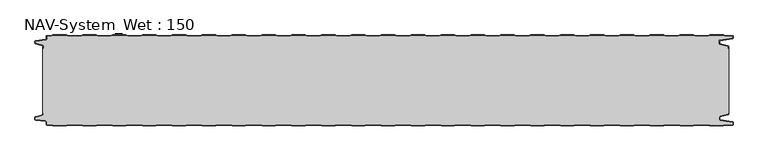
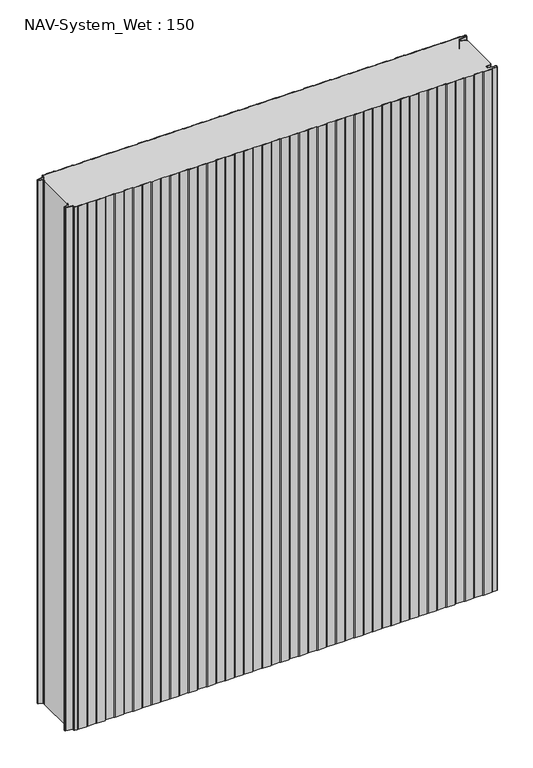
"""IFC4 building model written with IfcOpenShell, lengths in millimetres: plate geometry, NAV-System_Wet : 150."""

from ifc_helpers import new_model, si_unit, point, frame_2d, origin, origin_with_axes, place, context, project, spatial, polyline, circle_curve, trimmed, segment, composite_curve, outline, extrude, source, transform, mapped, element, save


def nav_system_wet_150_6c492ccb(model_context):
    return source(origin(), model_context, "Body", "SweptSolid", [
        extrude(outline(composite_curve([segment(polyline([(430.3684327, -0.8), (427.3684327, 0.2), (405.3684327, 0.2), (402.3684327, -0.8), (380.3684327, -0.8), (377.3684327, 0.2), (355.3684327, 0.2), (352.3684327, -0.8), (330.3684327, -0.8), (327.3684327, 0.2), (305.3684327, 0.2), (302.3684327, -0.8), (280.3684327, -0.8), (277.3684327, 0.2), (255.3684327, 0.2), (252.3684327, -0.8), (230.3684327, -0.8), (227.3684327, 0.2), (205.3684327, 0.2), (202.3684327, -0.8), (180.3684327, -0.8), (177.3684327, 0.2), (155.3684327, 0.2), (152.3684327, -0.8), (130.3684327, -0.8), (127.3684327, 0.2), (105.3684327, 0.2), (102.3684327, -0.8), (80.3684327, -0.8), (77.3684327, 0.2), (55.3684327, 0.2), (52.3684327, -0.8), (30.3684327, -0.8), (27.3684327, 0.2), (5.3684327, 0.2), (2.3684327, -0.8), (-19.6315673, -0.8), (-22.6315673, 0.2), (-44.6315673, 0.2), (-47.6315673, -0.8), (-69.6315673, -0.8), (-72.6315673, 0.2), (-94.6315673, 0.2), (-97.6315673, -0.8), (-119.6315673, -0.8), (-122.6315673, 0.2), (-144.6315673, 0.2), (-147.6315673, -0.8), (-169.6315673, -0.8), (-172.6315673, 0.2), (-194.6315673, 0.2), (-197.6315673, -0.8), (-219.6315673, -0.8), (-222.6315673, 0.2), (-244.6315673, 0.2), (-247.6315673, -0.8), (-269.6315673, -0.8), (-272.6315673, 0.2), (-294.6315673, 0.2), (-297.6315673, -0.8), (-319.6315673, -0.8), (-322.6315673, 0.2), (-344.6315673, 0.2), (-347.6315673, -0.8), (-369.6315673, -0.8), (-372.6315673, 0.2), (-394.6315673, 0.2), (-397.6315673, -0.8), (-419.6315673, -0.8), (-422.6315673, 0.2), (-444.6315673, 0.2), (-447.6315673, -0.8), (-469.6315673, -0.8), (-472.6315673, 0.2), (-494.6315673, 0.2), (-497.6315673, -0.8), (-519.6315673, -0.8), (-522.6315673, 0.2), (-544.6315673, 0.2), (-547.6315673, -0.8), (-554.7, -0.8)]), True, "CONTINUOUS"), segment(trimmed(circle_curve(frame_2d((-554.7, -1.3)), 0.5), [point((-554.7, -0.8))], [point((-555.2, -1.3))], True, "CARTESIAN"), True, "CONTINUOUS"), segment(polyline([(-555.2, -1.3), (-555.2, -5.3964683)]), True, "CONTINUOUS"), segment(trimmed(circle_curve(frame_2d((-556.7, -5.3964683)), 1.5), [point((-555.2, -5.3964683))], [point((-556.4911207, -6.8818536))], False, "CARTESIAN"), True, "CONTINUOUS"), segment(polyline([(-556.4911207, -6.8818536), (-573.4352183, -9.2645825)]), True, "CONTINUOUS"), segment(trimmed(circle_curve(frame_2d((-573.3114909, -10.1444347)), 0.8885091), [point((-573.4352183, -9.2645825))], [point((-574.2, -10.1444347))], True, "CARTESIAN"), True, "CONTINUOUS"), segment(polyline([(-574.2, -10.1444347), (-574.2, -12.46995)]), True, "CONTINUOUS"), segment(trimmed(circle_curve(frame_2d((-573.6, -12.46995)), 0.6), [point((-574.2, -12.46995))], [point((-573.7552914, -13.0495055))], True, "CARTESIAN"), True, "CONTINUOUS"), segment(polyline([(-573.7552914, -13.0495055), (-562.3785632, -16.0978907)]), True, "CONTINUOUS"), segment(trimmed(circle_curve(frame_2d((-562.7667917, -17.5467794)), 1.5), [point((-562.3785632, -16.0978907))], [point((-561.2667917, -17.5467794))], False, "CARTESIAN"), True, "CONTINUOUS"), segment(polyline([(-561.2667917, -17.5467794), (-561.2667917, -21.0096505), (-562.0667917, -21.0096505), (-562.0667917, -17.5467794)]), True, "CONTINUOUS"), segment(trimmed(circle_curve(frame_2d((-562.7667917, -17.5467794)), 0.7), [point((-562.0667917, -17.5467794))], [point((-562.5856184, -16.8706313))], True, "CARTESIAN"), True, "CONTINUOUS"), segment(polyline([(-562.5856184, -16.8706313), (-574.0364648, -13.8023863)]), True, "CONTINUOUS"), segment(trimmed(circle_curve(frame_2d((-573.7, -12.5466827)), 1.3), [point((-574.0364648, -13.8023863))], [point((-575.0, -12.5466827))], False, "CARTESIAN"), True, "CONTINUOUS"), segment(polyline([(-575.0, -12.5466827), (-575.0, -9.8067363)]), True, "CONTINUOUS"), segment(trimmed(circle_curve(frame_2d((-573.7, -9.8067363)), 1.3), [point((-575.0, -9.8067363))], [point((-573.8810287, -8.5194024))], False, "CARTESIAN"), True, "CONTINUOUS"), segment(polyline([(-573.8810287, -8.5194024), (-556.602523, -6.0896481)]), True, "CONTINUOUS"), segment(trimmed(circle_curve(frame_2d((-556.7, -5.3964683)), 0.7), [point((-556.602523, -6.0896481))], [point((-556.0, -5.3964683))], True, "CARTESIAN"), True, "CONTINUOUS"), segment(polyline([(-556.0, -5.3964683), (-556.0, -1.3)]), True, "CONTINUOUS"), segment(trimmed(circle_curve(frame_2d((-554.7, -1.3)), 1.3), [point((-556.0, -1.3))], [point((-554.7, 0.0))], False, "CARTESIAN"), True, "CONTINUOUS"), segment(polyline([(-554.7, 0.0), (-547.7613895, 0.0), (-544.7613895, 1.0), (-522.5017452, 1.0), (-519.5017452, 0.0), (-497.7613895, 0.0), (-494.7613895, 1.0), (-472.5017452, 1.0), (-469.5017452, 0.0), (-447.7613895, 0.0), (-444.7613895, 1.0), (-422.5017452, 1.0), (-419.5017452, 0.0), (-397.7613895, 0.0), (-394.7613895, 1.0), (-372.5017452, 1.0), (-369.5017452, 0.0), (-347.7613895, 0.0), (-344.7613895, 1.0), (-322.5017452, 1.0), (-319.5017452, 0.0), (-297.7613895, 0.0), (-294.7613895, 1.0), (-272.5017452, 1.0), (-269.5017452, 0.0), (-247.7613895, 0.0), (-244.7613895, 1.0), (-222.5017452, 1.0), (-219.5017452, 0.0), (-197.7613895, 0.0), (-194.7613895, 1.0), (-172.5017452, 1.0), (-169.5017452, 0.0), (-147.7613895, 0.0), (-144.7613895, 1.0), (-122.5017452, 1.0), (-119.5017452, 0.0), (-97.7613895, 0.0), (-94.7613895, 1.0), (-72.5017452, 1.0), (-69.5017452, 0.0), (-47.7613895, 0.0), (-44.7613895, 1.0), (-22.5017452, 1.0), (-19.5017452, 0.0), (2.2386105, 0.0), (5.2386105, 1.0), (27.4982548, 1.0), (30.4982548, 0.0), (52.2386105, 0.0), (55.2386105, 1.0), (77.4982548, 1.0), (80.4982548, 0.0), (102.2386105, 0.0), (105.2386105, 1.0), (127.4982548, 1.0), (130.4982548, 0.0), (152.2386105, 0.0), (155.2386105, 1.0), (177.4982548, 1.0), (180.4982548, 0.0), (202.2386105, 0.0), (205.2386105, 1.0), (227.4982548, 1.0), (230.4982548, 0.0), (252.2386105, 0.0), (255.2386105, 1.0), (277.4982548, 1.0), (280.4982548, 0.0), (302.2386105, 0.0), (305.2386105, 1.0), (327.4982548, 1.0), (330.4982548, 0.0), (352.2386105, 0.0), (355.2386105, 1.0), (377.4982548, 1.0), (380.4982548, 0.0), (402.2386105, 0.0), (405.2386105, 1.0), (427.4982548, 1.0), (430.4982548, 0.0), (452.2386105, 0.0), (455.2386105, 1.0), (477.4982548, 1.0), (480.4982548, 0.0), (502.2386105, 0.0), (505.2386105, 1.0), (527.4982548, 1.0), (530.4982548, 0.0), (552.2386105, 0.0), (555.2386105, 1.0), (577.4982548, 1.0), (580.4982548, 0.0), (592.7, 0.0)]), True, "CONTINUOUS"), segment(trimmed(circle_curve(frame_2d((592.7, -1.3)), 1.3), [point((592.7, 0.0))], [point((594.0, -1.3))], False, "CARTESIAN"), True, "CONTINUOUS"), segment(polyline([(594.0, -1.3), (594.0, -4.3700191)]), True, "CONTINUOUS"), segment(trimmed(circle_curve(frame_2d((592.7, -4.3700191)), 1.3), [point((594.0, -4.3700191))], [point((592.8810287, -5.657353))], False, "CARTESIAN"), True, "CONTINUOUS"), segment(polyline([(592.8810287, -5.657353), (572.102523, -8.5792877)]), True, "CONTINUOUS"), segment(trimmed(circle_curve(frame_2d((572.2, -9.2724675)), 0.7), [point((572.102523, -8.5792877))], [point((571.5, -9.2724675))], True, "CARTESIAN"), True, "CONTINUOUS"), segment(polyline([(571.5, -9.2724675), (571.5, -13.0812756)]), True, "CONTINUOUS"), segment(trimmed(circle_curve(frame_2d((572.2, -13.0812756)), 0.7), [point((571.5, -13.0812756))], [point((572.0188267, -13.7574237))], True, "CARTESIAN"), True, "CONTINUOUS"), segment(polyline([(572.0188267, -13.7574237), (585.4205101, -17.3483939)]), True, "CONTINUOUS"), segment(trimmed(circle_curve(frame_2d((585.0840453, -18.6040975)), 1.3), [point((585.4205101, -17.3483939))], [point((586.3840453, -18.6040975))], False, "CARTESIAN"), True, "CONTINUOUS"), segment(polyline([(586.3840453, -18.6040975), (586.3840453, -21.0096505), (585.5840453, -21.0096505), (585.5840453, -18.6808302)]), True, "CONTINUOUS"), segment(trimmed(circle_curve(frame_2d((584.9840453, -18.6808302)), 0.6), [point((585.5840453, -18.6808302))], [point((585.1393367, -18.1012747))], True, "CARTESIAN"), True, "CONTINUOUS"), segment(polyline([(585.1393367, -18.1012747), (571.8117714, -14.5301644)]), True, "CONTINUOUS"), segment(trimmed(circle_curve(frame_2d((572.2, -13.0812756)), 1.5), [point((571.8117714, -14.5301644))], [point((570.7, -13.0812756))], False, "CARTESIAN"), True, "CONTINUOUS"), segment(polyline([(570.7, -13.0812756), (570.7, -9.2724675)]), True, "CONTINUOUS"), segment(trimmed(circle_curve(frame_2d((572.2, -9.2724675)), 1.5), [point((570.7, -9.2724675))], [point((571.9911207, -7.7870822))], False, "CARTESIAN"), True, "CONTINUOUS"), segment(polyline([(571.9911207, -7.7870822), (592.6835517, -4.8772516)]), True, "CONTINUOUS"), segment(trimmed(circle_curve(frame_2d((592.6, -4.2830975)), 0.6), [point((592.6835517, -4.8772516))], [point((593.2, -4.2830975))], True, "CARTESIAN"), True, "CONTINUOUS"), segment(polyline([(593.2, -4.2830975), (593.2, -1.3)]), True, "CONTINUOUS"), segment(trimmed(circle_curve(frame_2d((592.7, -1.3)), 0.5), [point((593.2, -1.3))], [point((592.7, -0.8))], True, "CARTESIAN"), True, "CONTINUOUS"), segment(polyline([(592.7, -0.8), (580.3684327, -0.8), (577.3684327, 0.2), (555.3684327, 0.2), (552.3684327, -0.8), (530.3684327, -0.8), (527.3684327, 0.2), (505.3684327, 0.2), (502.3684327, -0.8), (480.3684327, -0.8), (477.3684327, 0.2), (455.3684327, 0.2), (452.3684327, -0.8), (430.3684327, -0.8)]), True, "CONTINUOUS")], self_intersect=False)), origin_with_axes(), (0.0, 0.0, 1.0), 1500.0),
        extrude(outline(composite_curve([segment(polyline([(430.3684327, -0.8), (452.3684327, -0.8), (455.3684327, 0.2), (477.3684327, 0.2), (480.3684327, -0.8), (502.3684327, -0.8), (505.3684327, 0.2), (527.3684327, 0.2), (530.3684327, -0.8), (552.3684327, -0.8), (555.3684327, 0.2), (577.3684327, 0.2), (580.3684327, -0.8), (592.7, -0.8)]), True, "CONTINUOUS"), segment(trimmed(circle_curve(frame_2d((592.7, -1.3)), 0.5), [point((592.7, -0.8))], [point((593.2, -1.3))], False, "CARTESIAN"), True, "CONTINUOUS"), segment(polyline([(593.2, -1.3), (593.2, -4.2830975)]), True, "CONTINUOUS"), segment(trimmed(circle_curve(frame_2d((592.6, -4.2830975)), 0.6), [point((593.2, -4.2830975))], [point((592.6835517, -4.8772516))], False, "CARTESIAN"), True, "CONTINUOUS"), segment(polyline([(592.6835517, -4.8772516), (571.9911207, -7.7870822)]), True, "CONTINUOUS"), segment(trimmed(circle_curve(frame_2d((572.2, -9.2724675)), 1.5), [point((571.9911207, -7.7870822))], [point((570.7, -9.2724675))], True, "CARTESIAN"), True, "CONTINUOUS"), segment(polyline([(570.7, -9.2724675), (570.7, -13.0812756)]), True, "CONTINUOUS"), segment(trimmed(circle_curve(frame_2d((572.2, -13.0812756)), 1.5), [point((570.7, -13.0812756))], [point((571.8117714, -14.5301644))], True, "CARTESIAN"), True, "CONTINUOUS"), segment(polyline([(571.8117714, -14.5301644), (585.1393367, -18.1012747)]), True, "CONTINUOUS"), segment(trimmed(circle_curve(frame_2d((584.9840453, -18.6808302)), 0.6), [point((585.1393367, -18.1012747))], [point((585.5840453, -18.6808302))], False, "CARTESIAN"), True, "CONTINUOUS"), segment(polyline([(585.5840453, -18.6808302), (585.5840453, -21.0096505), (586.3840453, -21.0096505), (586.3840453, -128.9903495), (585.5840453, -128.9903495), (585.5840453, -131.3191698)]), True, "CONTINUOUS"), segment(trimmed(circle_curve(frame_2d((584.9840453, -131.3191698)), 0.6), [point((585.5840453, -131.3191698))], [point((585.1393367, -131.8987253))], False, "CARTESIAN"), True, "CONTINUOUS"), segment(polyline([(585.1393367, -131.8987253), (571.8117714, -135.4698356)]), True, "CONTINUOUS"), segment(trimmed(circle_curve(frame_2d((572.2, -136.9187244)), 1.5), [point((571.8117714, -135.4698356))], [point((570.7, -136.9187244))], True, "CARTESIAN"), True, "CONTINUOUS"), segment(polyline([(570.7, -136.9187244), (570.7, -140.7275325)]), True, "CONTINUOUS"), segment(trimmed(circle_curve(frame_2d((572.2, -140.7275325)), 1.5), [point((570.7, -140.7275325))], [point((571.9911207, -142.2129178))], True, "CARTESIAN"), True, "CONTINUOUS"), segment(polyline([(571.9911207, -142.2129178), (592.6835517, -145.1227484)]), True, "CONTINUOUS"), segment(trimmed(circle_curve(frame_2d((592.6, -145.7169025)), 0.6), [point((592.6835517, -145.1227484))], [point((593.2, -145.7169025))], False, "CARTESIAN"), True, "CONTINUOUS"), segment(polyline([(593.2, -145.7169025), (593.2, -148.7)]), True, "CONTINUOUS"), segment(trimmed(circle_curve(frame_2d((592.7, -148.7)), 0.5), [point((593.2, -148.7))], [point((592.7, -149.2))], False, "CARTESIAN"), True, "CONTINUOUS"), segment(polyline([(592.7, -149.2), (580.3684327, -149.2), (577.3684327, -150.2), (555.3684327, -150.2), (552.3684327, -149.2), (530.3684327, -149.2), (527.3684327, -150.2), (505.3684327, -150.2), (502.3684327, -149.2), (480.3684327, -149.2), (477.3684327, -150.2), (455.3684327, -150.2), (452.3684327, -149.2), (430.3684327, -149.2), (427.3684327, -150.2), (405.3684327, -150.2), (402.3684327, -149.2), (380.3684327, -149.2), (377.3684327, -150.2), (355.3684327, -150.2), (352.3684327, -149.2), (330.3684327, -149.2), (327.3684327, -150.2), (305.3684327, -150.2), (302.3684327, -149.2), (280.3684327, -149.2), (277.3684327, -150.2), (255.3684327, -150.2), (252.3684327, -149.2), (230.3684327, -149.2), (227.3684327, -150.2), (205.3684327, -150.2), (202.3684327, -149.2), (180.3684327, -149.2), (177.3684327, -150.2), (155.3684327, -150.2), (152.3684327, -149.2), (130.3684327, -149.2), (127.3684327, -150.2), (105.3684327, -150.2), (102.3684327, -149.2), (80.3684327, -149.2), (77.3684327, -150.2), (55.3684327, -150.2), (52.3684327, -149.2), (30.3684327, -149.2), (27.3684327, -150.2), (5.3684327, -150.2), (2.3684327, -149.2), (-19.6315673, -149.2), (-22.6315673, -150.2), (-44.6315673, -150.2), (-47.6315673, -149.2), (-69.6315673, -149.2), (-72.6315673, -150.2), (-94.6315673, -150.2), (-97.6315673, -149.2), (-119.6315673, -149.2), (-122.6315673, -150.2), (-144.6315673, -150.2), (-147.6315673, -149.2), (-169.6315673, -149.2), (-172.6315673, -150.2), (-194.6315673, -150.2), (-197.6315673, -149.2), (-219.6315673, -149.2), (-222.6315673, -150.2), (-244.6315673, -150.2), (-247.6315673, -149.2), (-269.6315673, -149.2), (-272.6315673, -150.2), (-294.6315673, -150.2), (-297.6315673, -149.2), (-319.6315673, -149.2), (-322.6315673, -150.2), (-344.6315673, -150.2), (-347.6315673, -149.2), (-369.6315673, -149.2), (-372.6315673, -150.2), (-394.6315673, -150.2), (-397.6315673, -149.2), (-419.6315673, -149.2), (-422.6315673, -150.2), (-444.6315673, -150.2), (-447.6315673, -149.2), (-469.6315673, -149.2), (-472.6315673, -150.2), (-494.6315673, -150.2), (-497.6315673, -149.2), (-519.6315673, -149.2), (-522.6315673, -150.2), (-544.6315673, -150.2), (-547.6315673, -149.2), (-554.7, -149.2)]), True, "CONTINUOUS"), segment(trimmed(circle_curve(frame_2d((-554.7, -148.7)), 0.5), [point((-554.7, -149.2))], [point((-555.2, -148.7))], False, "CARTESIAN"), True, "CONTINUOUS"), segment(polyline([(-555.2, -148.7), (-555.2, -144.6035317)]), True, "CONTINUOUS"), segment(trimmed(circle_curve(frame_2d((-556.7, -144.6035317)), 1.5), [point((-555.2, -144.6035317))], [point((-556.4911207, -143.1181464))], True, "CARTESIAN"), True, "CONTINUOUS"), segment(polyline([(-556.4911207, -143.1181464), (-573.4352183, -140.7354175)]), True, "CONTINUOUS"), segment(trimmed(circle_curve(frame_2d((-573.3114909, -139.8555653)), 0.8885091), [point((-573.4352183, -140.7354175))], [point((-574.2, -139.8555653))], False, "CARTESIAN"), True, "CONTINUOUS"), segment(polyline([(-574.2, -139.8555653), (-574.2, -137.53005)]), True, "CONTINUOUS"), segment(trimmed(circle_curve(frame_2d((-573.6, -137.53005)), 0.6), [point((-574.2, -137.53005))], [point((-573.7552914, -136.9504945))], False, "CARTESIAN"), True, "CONTINUOUS"), segment(polyline([(-573.7552914, -136.9504945), (-562.3785632, -133.9021093)]), True, "CONTINUOUS"), segment(trimmed(circle_curve(frame_2d((-562.7667917, -132.4532206)), 1.5), [point((-562.3785632, -133.9021093))], [point((-561.2667917, -132.4532206))], True, "CARTESIAN"), True, "CONTINUOUS"), segment(polyline([(-561.2667917, -132.4532206), (-561.2667917, -128.9903495), (-562.0667917, -128.9903495), (-562.0667917, -21.0096505), (-561.2667917, -21.0096505), (-561.2667917, -17.5467794)]), True, "CONTINUOUS"), segment(trimmed(circle_curve(frame_2d((-562.7667917, -17.5467794)), 1.5), [point((-561.2667917, -17.5467794))], [point((-562.3785632, -16.0978907))], True, "CARTESIAN"), True, "CONTINUOUS"), segment(polyline([(-562.3785632, -16.0978907), (-573.7552914, -13.0495055)]), True, "CONTINUOUS"), segment(trimmed(circle_curve(frame_2d((-573.6, -12.46995)), 0.6), [point((-573.7552914, -13.0495055))], [point((-574.2, -12.46995))], False, "CARTESIAN"), True, "CONTINUOUS"), segment(polyline([(-574.2, -12.46995), (-574.2, -10.1444347)]), True, "CONTINUOUS"), segment(trimmed(circle_curve(frame_2d((-573.3114909, -10.1444347)), 0.8885091), [point((-574.2, -10.1444347))], [point((-573.4352183, -9.2645825))], False, "CARTESIAN"), True, "CONTINUOUS"), segment(polyline([(-573.4352183, -9.2645825), (-556.4911207, -6.8818536)]), True, "CONTINUOUS"), segment(trimmed(circle_curve(frame_2d((-556.7, -5.3964683)), 1.5), [point((-556.4911207, -6.8818536))], [point((-555.2, -5.3964683))], True, "CARTESIAN"), True, "CONTINUOUS"), segment(polyline([(-555.2, -5.3964683), (-555.2, -1.3)]), True, "CONTINUOUS"), segment(trimmed(circle_curve(frame_2d((-554.7, -1.3)), 0.5), [point((-555.2, -1.3))], [point((-554.7, -0.8))], False, "CARTESIAN"), True, "CONTINUOUS"), segment(polyline([(-554.7, -0.8), (-547.6315673, -0.8), (-544.6315673, 0.2), (-522.6315673, 0.2), (-519.6315673, -0.8), (-497.6315673, -0.8), (-494.6315673, 0.2), (-472.6315673, 0.2), (-469.6315673, -0.8), (-447.6315673, -0.8), (-444.6315673, 0.2), (-422.6315673, 0.2), (-419.6315673, -0.8), (-397.6315673, -0.8), (-394.6315673, 0.2), (-372.6315673, 0.2), (-369.6315673, -0.8), (-347.6315673, -0.8), (-344.6315673, 0.2), (-322.6315673, 0.2), (-319.6315673, -0.8), (-297.6315673, -0.8), (-294.6315673, 0.2), (-272.6315673, 0.2), (-269.6315673, -0.8), (-247.6315673, -0.8), (-244.6315673, 0.2), (-222.6315673, 0.2), (-219.6315673, -0.8), (-197.6315673, -0.8), (-194.6315673, 0.2), (-172.6315673, 0.2), (-169.6315673, -0.8), (-147.6315673, -0.8), (-144.6315673, 0.2), (-122.6315673, 0.2), (-119.6315673, -0.8), (-97.6315673, -0.8), (-94.6315673, 0.2), (-72.6315673, 0.2), (-69.6315673, -0.8), (-47.6315673, -0.8), (-44.6315673, 0.2), (-22.6315673, 0.2), (-19.6315673, -0.8), (2.3684327, -0.8), (5.3684327, 0.2), (27.3684327, 0.2), (30.3684327, -0.8), (52.3684327, -0.8), (55.3684327, 0.2), (77.3684327, 0.2), (80.3684327, -0.8), (102.3684327, -0.8), (105.3684327, 0.2), (127.3684327, 0.2), (130.3684327, -0.8), (152.3684327, -0.8), (155.3684327, 0.2), (177.3684327, 0.2), (180.3684327, -0.8), (202.3684327, -0.8), (205.3684327, 0.2), (227.3684327, 0.2), (230.3684327, -0.8), (252.3684327, -0.8), (255.3684327, 0.2), (277.3684327, 0.2), (280.3684327, -0.8), (302.3684327, -0.8), (305.3684327, 0.2), (327.3684327, 0.2), (330.3684327, -0.8), (352.3684327, -0.8), (355.3684327, 0.2), (377.3684327, 0.2), (380.3684327, -0.8), (402.3684327, -0.8), (405.3684327, 0.2), (427.3684327, 0.2), (430.3684327, -0.8)]), True, "CONTINUOUS")], self_intersect=False)), origin_with_axes(), (0.0, 0.0, 1.0), 1500.0),
        extrude(outline(composite_curve([segment(polyline([(430.3684327, -149.2), (452.3684327, -149.2), (455.3684327, -150.2), (477.3684327, -150.2), (480.3684327, -149.2), (502.3684327, -149.2), (505.3684327, -150.2), (527.3684327, -150.2), (530.3684327, -149.2), (552.3684327, -149.2), (555.3684327, -150.2), (577.3684327, -150.2), (580.3684327, -149.2), (592.7, -149.2)]), True, "CONTINUOUS"), segment(trimmed(circle_curve(frame_2d((592.7, -148.7)), 0.5), [point((592.7, -149.2))], [point((593.2, -148.7))], True, "CARTESIAN"), True, "CONTINUOUS"), segment(polyline([(593.2, -148.7), (593.2, -145.7169025)]), True, "CONTINUOUS"), segment(trimmed(circle_curve(frame_2d((592.6, -145.7169025)), 0.6), [point((593.2, -145.7169025))], [point((592.6835517, -145.1227484))], True, "CARTESIAN"), True, "CONTINUOUS"), segment(polyline([(592.6835517, -145.1227484), (571.9911207, -142.2129178)]), True, "CONTINUOUS"), segment(trimmed(circle_curve(frame_2d((572.2, -140.7275325)), 1.5), [point((571.9911207, -142.2129178))], [point((570.7, -140.7275325))], False, "CARTESIAN"), True, "CONTINUOUS"), segment(polyline([(570.7, -140.7275325), (570.7, -136.9187244)]), True, "CONTINUOUS"), segment(trimmed(circle_curve(frame_2d((572.2, -136.9187244)), 1.5), [point((570.7, -136.9187244))], [point((571.8117714, -135.4698356))], False, "CARTESIAN"), True, "CONTINUOUS"), segment(polyline([(571.8117714, -135.4698356), (585.1393367, -131.8987253)]), True, "CONTINUOUS"), segment(trimmed(circle_curve(frame_2d((584.9840453, -131.3191698)), 0.6), [point((585.1393367, -131.8987253))], [point((585.5840453, -131.3191698))], True, "CARTESIAN"), True, "CONTINUOUS"), segment(polyline([(585.5840453, -131.3191698), (585.5840453, -128.9903495), (586.3840453, -128.9903495), (586.3840453, -131.3959025)]), True, "CONTINUOUS"), segment(trimmed(circle_curve(frame_2d((585.0840453, -131.3959025)), 1.3), [point((586.3840453, -131.3959025))], [point((585.4205101, -132.6516061))], False, "CARTESIAN"), True, "CONTINUOUS"), segment(polyline([(585.4205101, -132.6516061), (572.0188267, -136.2425763)]), True, "CONTINUOUS"), segment(trimmed(circle_curve(frame_2d((572.2, -136.9187244)), 0.7), [point((572.0188267, -136.2425763))], [point((571.5, -136.9187244))], True, "CARTESIAN"), True, "CONTINUOUS"), segment(polyline([(571.5, -136.9187244), (571.5, -140.7275325)]), True, "CONTINUOUS"), segment(trimmed(circle_curve(frame_2d((572.2, -140.7275325)), 0.7), [point((571.5, -140.7275325))], [point((572.102523, -141.4207123))], True, "CARTESIAN"), True, "CONTINUOUS"), segment(polyline([(572.102523, -141.4207123), (592.8810287, -144.342647)]), True, "CONTINUOUS"), segment(trimmed(circle_curve(frame_2d((592.7, -145.6299809)), 1.3), [point((592.8810287, -144.342647))], [point((594.0, -145.6299809))], False, "CARTESIAN"), True, "CONTINUOUS"), segment(polyline([(594.0, -145.6299809), (594.0, -148.7)]), True, "CONTINUOUS"), segment(trimmed(circle_curve(frame_2d((592.7, -148.7)), 1.3), [point((594.0, -148.7))], [point((592.7, -150.0))], False, "CARTESIAN"), True, "CONTINUOUS"), segment(polyline([(592.7, -150.0), (580.4982548, -150.0), (577.4982548, -151.0), (555.2386105, -151.0), (552.2386105, -150.0), (530.4982548, -150.0), (527.4982548, -151.0), (505.2386105, -151.0), (502.2386105, -150.0), (480.4982548, -150.0), (477.4982548, -151.0), (455.2386105, -151.0), (452.2386105, -150.0), (430.4982548, -150.0), (427.4982548, -151.0), (405.2386105, -151.0), (402.2386105, -150.0), (380.4982548, -150.0), (377.4982548, -151.0), (355.2386105, -151.0), (352.2386105, -150.0), (330.4982548, -150.0), (327.4982548, -151.0), (305.2386105, -151.0), (302.2386105, -150.0), (280.4982548, -150.0), (277.4982548, -151.0), (255.2386105, -151.0), (252.2386105, -150.0), (230.4982548, -150.0), (227.4982548, -151.0), (205.2386105, -151.0), (202.2386105, -150.0), (180.4982548, -150.0), (177.4982548, -151.0), (155.2386105, -151.0), (152.2386105, -150.0), (130.4982548, -150.0), (127.4982548, -151.0), (105.2386105, -151.0), (102.2386105, -150.0), (80.4982548, -150.0), (77.4982548, -151.0), (55.2386105, -151.0), (52.2386105, -150.0), (30.4982548, -150.0), (27.4982548, -151.0), (5.2386105, -151.0), (2.2386105, -150.0), (-19.5017452, -150.0), (-22.5017452, -151.0), (-44.7613895, -151.0), (-47.7613895, -150.0), (-69.5017452, -150.0), (-72.5017452, -151.0), (-94.7613895, -151.0), (-97.7613895, -150.0), (-119.5017452, -150.0), (-122.5017452, -151.0), (-144.7613895, -151.0), (-147.7613895, -150.0), (-169.5017452, -150.0), (-172.5017452, -151.0), (-194.7613895, -151.0), (-197.7613895, -150.0), (-219.5017452, -150.0), (-222.5017452, -151.0), (-244.7613895, -151.0), (-247.7613895, -150.0), (-269.5017452, -150.0), (-272.5017452, -151.0), (-294.7613895, -151.0), (-297.7613895, -150.0), (-319.5017452, -150.0), (-322.5017452, -151.0), (-344.7613895, -151.0), (-347.7613895, -150.0), (-369.5017452, -150.0), (-372.5017452, -151.0), (-394.7613895, -151.0), (-397.7613895, -150.0), (-419.5017452, -150.0), (-422.5017452, -151.0), (-444.7613895, -151.0), (-447.7613895, -150.0), (-469.5017452, -150.0), (-472.5017452, -151.0), (-494.7613895, -151.0), (-497.7613895, -150.0), (-519.5017452, -150.0), (-522.5017452, -151.0), (-544.7613895, -151.0), (-547.7613895, -150.0), (-554.7, -150.0)]), True, "CONTINUOUS"), segment(trimmed(circle_curve(frame_2d((-554.7, -148.7)), 1.3), [point((-554.7, -150.0))], [point((-556.0, -148.7))], False, "CARTESIAN"), True, "CONTINUOUS"), segment(polyline([(-556.0, -148.7), (-556.0, -144.6035317)]), True, "CONTINUOUS"), segment(trimmed(circle_curve(frame_2d((-556.7, -144.6035317)), 0.7), [point((-556.0, -144.6035317))], [point((-556.602523, -143.9103519))], True, "CARTESIAN"), True, "CONTINUOUS"), segment(polyline([(-556.602523, -143.9103519), (-573.8810287, -141.4805976)]), True, "CONTINUOUS"), segment(trimmed(circle_curve(frame_2d((-573.7, -140.1932637)), 1.3), [point((-573.8810287, -141.4805976))], [point((-575.0, -140.1932637))], False, "CARTESIAN"), True, "CONTINUOUS"), segment(polyline([(-575.0, -140.1932637), (-575.0, -137.4533173)]), True, "CONTINUOUS"), segment(trimmed(circle_curve(frame_2d((-573.7, -137.4533173)), 1.3), [point((-575.0, -137.4533173))], [point((-574.0364648, -136.1976137))], False, "CARTESIAN"), True, "CONTINUOUS"), segment(polyline([(-574.0364648, -136.1976137), (-562.5856184, -133.1293687)]), True, "CONTINUOUS"), segment(trimmed(circle_curve(frame_2d((-562.7667917, -132.4532206)), 0.7), [point((-562.5856184, -133.1293687))], [point((-562.0667917, -132.4532206))], True, "CARTESIAN"), True, "CONTINUOUS"), segment(polyline([(-562.0667917, -132.4532206), (-562.0667917, -128.9903495), (-561.2667917, -128.9903495), (-561.2667917, -132.4532206)]), True, "CONTINUOUS"), segment(trimmed(circle_curve(frame_2d((-562.7667917, -132.4532206)), 1.5), [point((-561.2667917, -132.4532206))], [point((-562.3785632, -133.9021093))], False, "CARTESIAN"), True, "CONTINUOUS"), segment(polyline([(-562.3785632, -133.9021093), (-573.7552914, -136.9504945)]), True, "CONTINUOUS"), segment(trimmed(circle_curve(frame_2d((-573.6, -137.53005)), 0.6), [point((-573.7552914, -136.9504945))], [point((-574.2, -137.53005))], True, "CARTESIAN"), True, "CONTINUOUS"), segment(polyline([(-574.2, -137.53005), (-574.2, -139.8555653)]), True, "CONTINUOUS"), segment(trimmed(circle_curve(frame_2d((-573.3114909, -139.8555653)), 0.8885091), [point((-574.2, -139.8555653))], [point((-573.4352183, -140.7354175))], True, "CARTESIAN"), True, "CONTINUOUS"), segment(polyline([(-573.4352183, -140.7354175), (-556.4911207, -143.1181464)]), True, "CONTINUOUS"), segment(trimmed(circle_curve(frame_2d((-556.7, -144.6035317)), 1.5), [point((-556.4911207, -143.1181464))], [point((-555.2, -144.6035317))], False, "CARTESIAN"), True, "CONTINUOUS"), segment(polyline([(-555.2, -144.6035317), (-555.2, -148.7)]), True, "CONTINUOUS"), segment(trimmed(circle_curve(frame_2d((-554.7, -148.7)), 0.5), [point((-555.2, -148.7))], [point((-554.7, -149.2))], True, "CARTESIAN"), True, "CONTINUOUS"), segment(polyline([(-554.7, -149.2), (-547.6315673, -149.2), (-544.6315673, -150.2), (-522.6315673, -150.2), (-519.6315673, -149.2), (-497.6315673, -149.2), (-494.6315673, -150.2), (-472.6315673, -150.2), (-469.6315673, -149.2), (-447.6315673, -149.2), (-444.6315673, -150.2), (-422.6315673, -150.2), (-419.6315673, -149.2), (-397.6315673, -149.2), (-394.6315673, -150.2), (-372.6315673, -150.2), (-369.6315673, -149.2), (-347.6315673, -149.2), (-344.6315673, -150.2), (-322.6315673, -150.2), (-319.6315673, -149.2), (-297.6315673, -149.2), (-294.6315673, -150.2), (-272.6315673, -150.2), (-269.6315673, -149.2), (-247.6315673, -149.2), (-244.6315673, -150.2), (-222.6315673, -150.2), (-219.6315673, -149.2), (-197.6315673, -149.2), (-194.6315673, -150.2), (-172.6315673, -150.2), (-169.6315673, -149.2), (-147.6315673, -149.2), (-144.6315673, -150.2), (-122.6315673, -150.2), (-119.6315673, -149.2), (-97.6315673, -149.2), (-94.6315673, -150.2), (-72.6315673, -150.2), (-69.6315673, -149.2), (-47.6315673, -149.2), (-44.6315673, -150.2), (-22.6315673, -150.2), (-19.6315673, -149.2), (2.3684327, -149.2), (5.3684327, -150.2), (27.3684327, -150.2), (30.3684327, -149.2), (52.3684327, -149.2), (55.3684327, -150.2), (77.3684327, -150.2), (80.3684327, -149.2), (102.3684327, -149.2), (105.3684327, -150.2), (127.3684327, -150.2), (130.3684327, -149.2), (152.3684327, -149.2), (155.3684327, -150.2), (177.3684327, -150.2), (180.3684327, -149.2), (202.3684327, -149.2), (205.3684327, -150.2), (227.3684327, -150.2), (230.3684327, -149.2), (252.3684327, -149.2), (255.3684327, -150.2), (277.3684327, -150.2), (280.3684327, -149.2), (302.3684327, -149.2), (305.3684327, -150.2), (327.3684327, -150.2), (330.3684327, -149.2), (352.3684327, -149.2), (355.3684327, -150.2), (377.3684327, -150.2), (380.3684327, -149.2), (402.3684327, -149.2), (405.3684327, -150.2), (427.3684327, -150.2), (430.3684327, -149.2)]), True, "CONTINUOUS")], self_intersect=False)), origin_with_axes(), (0.0, 0.0, 1.0), 1500.0),
    ])


if __name__ == "__main__":
    model = new_model("IFC4")
    model_context = context("Model", 3, world=origin())
    ifc_project = project(units=[si_unit("LENGTHUNIT", "METRE", prefix="MILLI")], contexts=[model_context])
    site = spatial("IfcSite", under=ifc_project)
    building = spatial("IfcBuilding", under=site)
    placement = place(None, origin())
    nav_system_wet_150_shape = nav_system_wet_150_6c492ccb(model_context)
    element("IfcPlate", 1, ObjectType="NAV-System_Wet : 150", at=placement, inside=building, context=model_context, shape_type="MappedRepresentation", body=[
        mapped(nav_system_wet_150_shape, transform((0.0, 0.0, 0.0), x_axis=(1.0, 0.0, 0.0), y_axis=(0.0, 1.0, 0.0), z_axis=(0.0, 0.0, 1.0))),
    ])
    save(model, "model.ifc")
